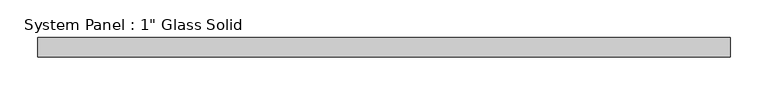
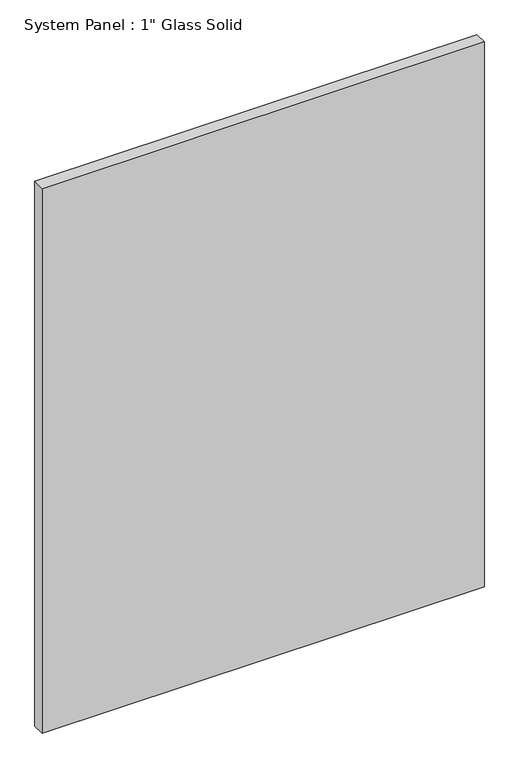
"""IFC4 building model written with IfcOpenShell, lengths in millimetres: plate geometry."""

from ifc_helpers import new_model, si_unit, origin, origin_with_axes, place, context, project, spatial, polyline, outline, extrude, source, transform, mapped, element, save


def plate_ffaa1921(model_context):
    return source(origin(), model_context, "Body", "SweptSolid", [
        extrude(outline(polyline([(456.40625, -12.7), (-456.40625, -12.7), (-456.40625, 12.7), (456.40625, 12.7), (456.40625, -12.7)])), origin_with_axes(), (0.0, 0.0, 1.0), 1187.4517704),
    ])


if __name__ == "__main__":
    model = new_model("IFC4")
    model_context = context("Model", 3, world=origin())
    ifc_project = project(units=[si_unit("LENGTHUNIT", "METRE", prefix="MILLI")], contexts=[model_context])
    site = spatial("IfcSite", under=ifc_project)
    building = spatial("IfcBuilding", under=site)
    placement = place(None, origin())
    plate_shape = plate_ffaa1921(model_context)
    element("IfcPlate", 1, ObjectType="System Panel : 1\" Glass Solid", at=placement, inside=building, context=model_context, shape_type="MappedRepresentation", body=[
        mapped(plate_shape, transform((0.0, 0.0, 0.0), x_axis=(1.0, 0.0, 0.0), y_axis=(0.0, 1.0, 0.0), z_axis=(0.0, 0.0, 1.0))),
    ])
    save(model, "model.ifc")
